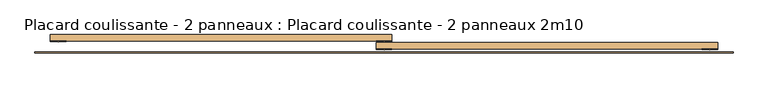
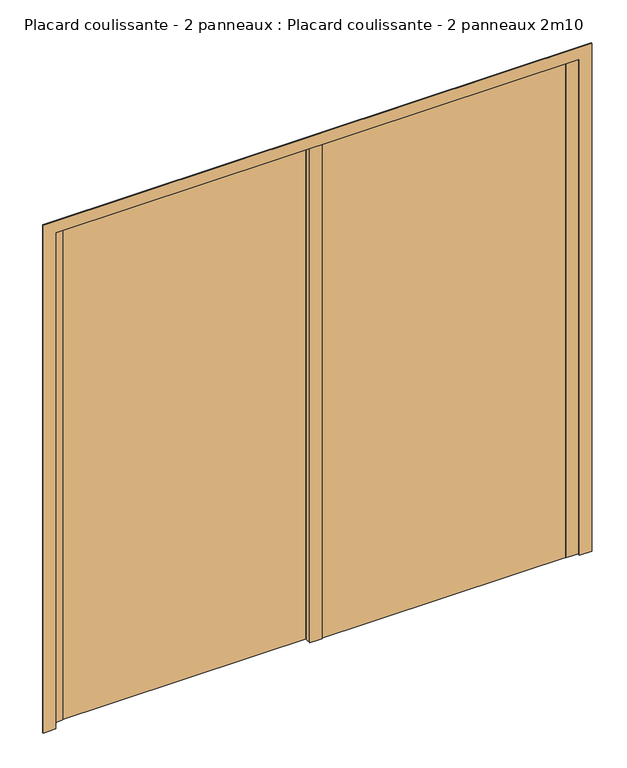
"""IFC4 building model written with IfcOpenShell, lengths in millimetres: door geometry, Placard coulissante - 2 panneaux : Placard coulissante - 2 panneaux 2m10."""

from ifc_helpers import new_model, si_unit, point, frame, frame_2d, origin, origin_with_axes, place, context, project, spatial, polyline, circle_curve, trimmed, segment, composite_curve, outline, extrude, source, transform, mapped, element, save


def placard_coulissante_2_panneaux_placard_coulissante_2_220b7f71(model_context):
    return source(origin(), model_context, "Body", "SweptSolid", [
        extrude(outline(composite_curve([segment(polyline([(1050.0, -25.0), (1050.0, -27.0)]), True, "CONTINUOUS"), segment(trimmed(circle_curve(frame_2d((1025.0, 186.8603852)), 215.3166607), [point((1050.0, -27.0))], [point((1000.0, -27.0))], False, "CARTESIAN"), True, "CONTINUOUS"), segment(polyline([(1000.0, -27.0), (1000.0, -25.0), (1050.0, -25.0)]), True, "CONTINUOUS")], self_intersect=False)), origin_with_axes(), (0.0, 0.0, 1.0), 2100.0),
        extrude(outline(composite_curve([segment(polyline([(25.0, -25.0), (25.0, -27.0)]), True, "CONTINUOUS"), segment(trimmed(circle_curve(frame_2d((0.0, 186.8603852)), 215.3166607), [point((25.0, -27.0))], [point((-25.0, -27.0))], False, "CARTESIAN"), True, "CONTINUOUS"), segment(polyline([(-25.0, -27.0), (-25.0, -25.0), (25.0, -25.0)]), True, "CONTINUOUS")], self_intersect=False)), origin_with_axes(), (0.0, 0.0, 1.0), 2100.0),
        extrude(outline(composite_curve([segment(polyline([(25.0, 0.0), (25.0, -2.0)]), True, "CONTINUOUS"), segment(trimmed(circle_curve(frame_2d((0.0, 211.8603852)), 215.3166607), [point((25.0, -2.0))], [point((-25.0, -2.0))], False, "CARTESIAN"), True, "CONTINUOUS"), segment(polyline([(-25.0, -2.0), (-25.0, 0.0), (25.0, 0.0)]), True, "CONTINUOUS")], self_intersect=False)), origin_with_axes(), (0.0, 0.0, 1.0), 2100.0),
        extrude(outline(composite_curve([segment(polyline([(-1000.0, 0.0), (-1000.0, -2.0)]), True, "CONTINUOUS"), segment(trimmed(circle_curve(frame_2d((-1025.0, 211.8603852)), 215.3166607), [point((-1000.0, -2.0))], [point((-1050.0, -2.0))], False, "CARTESIAN"), True, "CONTINUOUS"), segment(polyline([(-1050.0, -2.0), (-1050.0, 0.0), (-1000.0, 0.0)]), True, "CONTINUOUS")], self_intersect=False)), origin_with_axes(), (0.0, 0.0, 1.0), 2100.0),
        extrude(outline(polyline([(0.0, -1098.0), (0.0, -1048.0), (2098.0, -1048.0), (2098.0, 1048.0), (0.0, 1048.0), (0.0, 1098.0), (2148.0, 1098.0), (2148.0, -1098.0), (0.0, -1098.0)])), frame((0.0, -38.0, 0.0), z_axis=(0.0, 1.0, 0.0), x_axis=(0.0, 0.0, 1.0)), (0.0, 0.0, 1.0), 3.0),
        extrude(outline(polyline([(1050.0, -25.0), (-25.0, -25.0), (-25.0, -5.0), (1050.0, -5.0), (1050.0, -25.0)])), origin_with_axes(), (0.0, 0.0, 1.0), 2100.0),
        extrude(outline(polyline([(25.0, 0.0), (-1050.0, 0.0), (-1050.0, 20.0), (25.0, 20.0), (25.0, 0.0)])), origin_with_axes(), (0.0, 0.0, 1.0), 2100.0),
    ])


if __name__ == "__main__":
    model = new_model("IFC4")
    model_context = context("Model", 3, world=origin())
    ifc_project = project(units=[si_unit("LENGTHUNIT", "METRE", prefix="MILLI")], contexts=[model_context])
    site = spatial("IfcSite", under=ifc_project)
    building = spatial("IfcBuilding", under=site)
    placement = place(None, origin())
    placard_coulissante_2_panneaux_placard_coulissante_2_shape = placard_coulissante_2_panneaux_placard_coulissante_2_220b7f71(model_context)
    element("IfcDoor", 1, ObjectType="Placard coulissante - 2 panneaux : Placard coulissante - 2 panneaux 2m10", at=placement, inside=building, context=model_context, shape_type="MappedRepresentation", body=[
        mapped(placard_coulissante_2_panneaux_placard_coulissante_2_shape, transform((0.0, 0.0, 0.0), x_axis=(1.0, 0.0, 0.0), y_axis=(0.0, 1.0, 0.0), z_axis=(0.0, 0.0, 1.0))),
    ])
    save(model, "model.ifc")
